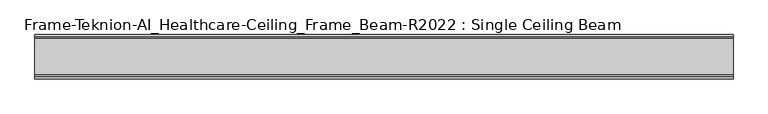
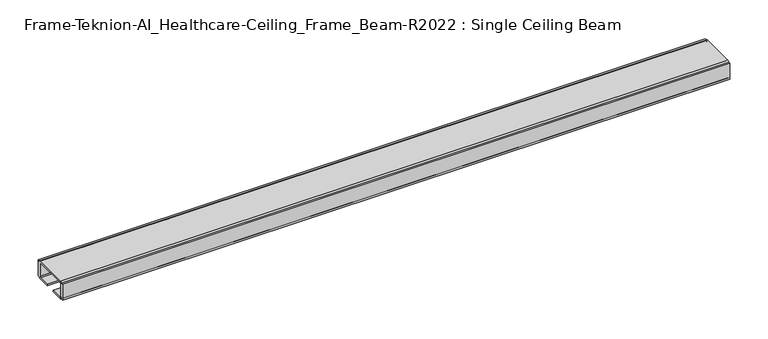
"""IFC4 building model written with IfcOpenShell, lengths in millimetres: furniture geometry, Frame-Teknion-AI_Healthcare-Ceiling_Frame_Beam-R2022 : Single Ceiling Beam."""

from ifc_helpers import new_model, si_unit, point, frame, frame_2d, origin, place, context, project, spatial, polyline, circle_curve, trimmed, segment, composite_curve, outline, extrude, source, transform, mapped, element, save


def frame_teknion_ai_healthcare_ceiling_frame_beam_r2022_single_e4457128(model_context):
    return source(origin(), model_context, "Body", "SweptSolid", [
        extrude(outline(composite_curve([segment(polyline([(32.174996, 1573.5046), (28.999999, 1573.5046), (28.999999, 1574.6129989)]), True, "CONTINUOUS"), segment(trimmed(circle_curve(frame_2d((26.5869991, 1574.6129989)), 2.413), [point((28.999999, 1574.6129989))], [point((26.5869991, 1572.199999))], False, "CARTESIAN"), True, "CONTINUOUS"), segment(polyline([(26.5869991, 1572.199999), (7.9374947, 1572.199999), (7.9374947, 1574.4859991), (25.4440002, 1574.4859991)]), True, "CONTINUOUS"), segment(trimmed(circle_curve(frame_2d((25.4440002, 1576.0099999)), 1.5240008), [point((25.4440002, 1574.4859991))], [point((26.968001, 1576.0099999))], True, "CARTESIAN"), True, "CONTINUOUS"), segment(polyline([(26.968001, 1576.0099999), (26.968001, 1597.1520009)]), True, "CONTINUOUS"), segment(trimmed(circle_curve(frame_2d((25.9520019, 1597.1520009)), 1.015999), [point((26.968001, 1597.1520009))], [point((25.9520019, 1598.168))], True, "CARTESIAN"), True, "CONTINUOUS"), segment(polyline([(25.9520019, 1598.168), (-25.9520019, 1598.168)]), True, "CONTINUOUS"), segment(trimmed(circle_curve(frame_2d((-25.9520019, 1597.1520009)), 1.015999), [point((-25.9520019, 1598.168))], [point((-26.968001, 1597.1520009))], True, "CARTESIAN"), True, "CONTINUOUS"), segment(polyline([(-26.968001, 1597.1520009), (-26.968001, 1576.0099999)]), True, "CONTINUOUS"), segment(trimmed(circle_curve(frame_2d((-25.4440002, 1576.0099999)), 1.5240008), [point((-26.968001, 1576.0099999))], [point((-25.4440002, 1574.4859991))], True, "CARTESIAN"), True, "CONTINUOUS"), segment(polyline([(-25.4440002, 1574.4859991), (-7.9374947, 1574.4859991), (-7.9374947, 1572.199999), (-26.5869991, 1572.199999)]), True, "CONTINUOUS"), segment(trimmed(circle_curve(frame_2d((-26.5869991, 1574.6129989)), 2.413), [point((-26.5869991, 1572.199999))], [point((-28.999999, 1574.6129989))], False, "CARTESIAN"), True, "CONTINUOUS"), segment(polyline([(-28.999999, 1574.6129989), (-28.999999, 1573.5046), (-32.174996, 1573.5046), (-32.174996, 1598.9045998), (-28.999999, 1598.9045998), (-28.999999, 1597.787)]), True, "CONTINUOUS"), segment(trimmed(circle_curve(frame_2d((-26.5869991, 1597.787)), 2.413), [point((-28.999999, 1597.787))], [point((-26.5869991, 1600.2))], False, "CARTESIAN"), True, "CONTINUOUS"), segment(polyline([(-26.5869991, 1600.2), (26.5869991, 1600.2)]), True, "CONTINUOUS"), segment(trimmed(circle_curve(frame_2d((26.5869991, 1597.787)), 2.413), [point((26.5869991, 1600.2))], [point((28.999999, 1597.787))], False, "CARTESIAN"), True, "CONTINUOUS"), segment(polyline([(28.999999, 1597.787), (28.999999, 1598.9045998), (32.174996, 1598.9045998), (32.174996, 1573.5046)]), True, "CONTINUOUS")], self_intersect=False)), frame((-506.1204, 0.0, 0.0), z_axis=(1.0, 0.0, 0.0), x_axis=(0.0, 1.0, 0.0)), (0.0, 0.0, 1.0), 1012.2408),
    ])


if __name__ == "__main__":
    model = new_model("IFC4")
    model_context = context("Model", 3, world=origin())
    ifc_project = project(units=[si_unit("LENGTHUNIT", "METRE", prefix="MILLI")], contexts=[model_context])
    site = spatial("IfcSite", under=ifc_project)
    building = spatial("IfcBuilding", under=site)
    placement = place(None, origin())
    frame_teknion_ai_healthcare_ceiling_frame_beam_r2022_single_shape = frame_teknion_ai_healthcare_ceiling_frame_beam_r2022_single_e4457128(model_context)
    element("IfcFurniture", 1, ObjectType="Frame-Teknion-AI_Healthcare-Ceiling_Frame_Beam-R2022 : Single Ceiling Beam", at=placement, inside=building, context=model_context, shape_type="MappedRepresentation", body=[
        mapped(frame_teknion_ai_healthcare_ceiling_frame_beam_r2022_single_shape, transform((0.0, 0.0, 0.0), x_axis=(1.0, 0.0, 0.0), y_axis=(0.0, 1.0, 0.0), z_axis=(0.0, 0.0, 1.0))),
    ])
    save(model, "model.ifc")
